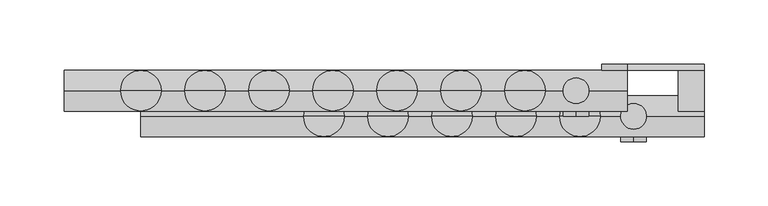
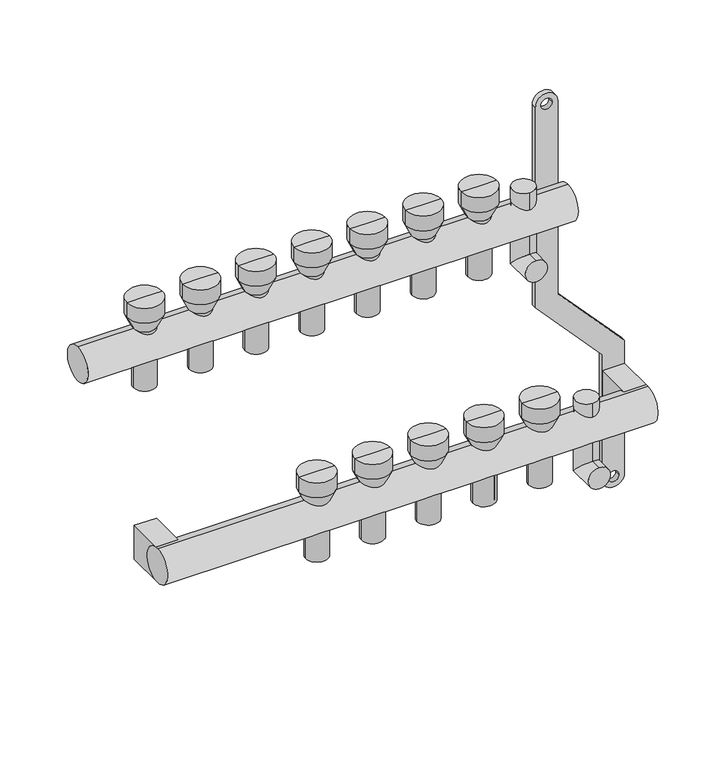
"""IFC4 building model written with IfcOpenShell, lengths in millimetres: proxy geometry."""

from ifc_helpers import new_model, si_unit, point, frame, frame_2d, origin, origin_2d, place, context, project, spatial, polyline, circle_curve, ellipse_curve, trimmed, segment, composite_curve, outline, extrude, source, transform, mapped, element, save
from ifc_brep_helpers import plane_surface, cylinder_surface, revolved_surface, advanced_brep


def mechanical_equipment_9a146814(model_context):
    return source(origin(), model_context, "Body", "SolidModel", [
        extrude(outline(composite_curve([segment(trimmed(circle_curve(frame_2d((86.2845679, 420.0)), 10.0), [point((86.2845679, 430.0))], [point((86.2845679, 410.0))], False, "CARTESIAN"), True, "CONTINUOUS"), segment(polyline([(86.2845679, 410.0), (-103.7138261, 410.0), (-169.0329221, 470.0), (-287.9537524, 470.0)]), True, "CONTINUOUS"), segment(trimmed(circle_curve(frame_2d((-287.9537524, 480.0)), 10.0), [point((-287.9537524, 470.0))], [point((-287.9537524, 490.0))], False, "CARTESIAN"), True, "CONTINUOUS"), segment(polyline([(-287.9537524, 490.0), (-162.5345282, 490.0), (-97.2154321, 430.0), (86.2845679, 430.0)]), True, "CONTINUOUS")], self_intersect=False), holes=[composite_curve([segment(trimmed(circle_curve(frame_2d((86.2845679, 420.0)), 5.0), [point((86.2845679, 415.0))], [point((86.2845679, 425.0))], True, "CARTESIAN"), True, "CONTINUOUS"), segment(trimmed(circle_curve(frame_2d((86.2845679, 420.0)), 5.0), [point((86.2845679, 425.0))], [point((86.2845679, 415.0))], True, "CARTESIAN"), True, "CONTINUOUS")], self_intersect=False), composite_curve([segment(trimmed(circle_curve(frame_2d((-287.9537524, 480.0)), 5.0), [point((-287.9537524, 475.0))], [point((-287.9537524, 485.0))], True, "CARTESIAN"), True, "CONTINUOUS"), segment(trimmed(circle_curve(frame_2d((-287.9537524, 480.0)), 5.0), [point((-287.9537524, 485.0))], [point((-287.9537524, 475.0))], True, "CARTESIAN"), True, "CONTINUOUS")], self_intersect=False)]), frame((0.0, 16.0, 0.0), z_axis=(0.0, 1.0, 0.0), x_axis=(0.0, 0.0, 1.0)), (0.0, 0.0, 1.0), 4.847249),
        advanced_brep(
        [(435.0, -40.0, -250.0), (435.0, -40.0, -230.0), (435.0, -10.0, -250.0), (435.0, -30.0, -230.0), (435.0, -10.0, -175.079492), (435.0, -30.0, -175.079492)],
        [
            (0, 1, circle_curve(frame((435.0, -40.0, -240.0), z_axis=(0.0, -1.0, 0.0), x_axis=(0.0, 0.0, 1.0)), 10.0)),
            (1, 0, circle_curve(frame((435.0, -40.0, -240.0), z_axis=(0.0, -1.0, 0.0), x_axis=(0.0, 0.0, 1.0)), 10.0)),
            (0, 2),
            (2, 3, ellipse_curve(frame((435.0, -20.0, -240.0), z_axis=(0.0, -0.7071067811865475, -0.7071067811865475), x_axis=(0.0, -0.7071067811865476, 0.7071067811865474)), 14.1421356, 10.0)),
            (3, 1),
            (3, 2, ellipse_curve(frame((435.0, -20.0, -240.0), z_axis=(0.0, -0.7071067811865475, -0.7071067811865475), x_axis=(0.0, -0.7071067811865476, 0.7071067811865474)), 14.1421356, 10.0)),
            (4, 5, circle_curve(frame((435.0, -20.0, -175.079492), z_axis=(0.0, 0.0, 1.0), x_axis=(0.0, -1.0, 0.0)), 10.0)),
            (5, 4, circle_curve(frame((435.0, -20.0, -175.079492), z_axis=(0.0, 0.0, 1.0), x_axis=(0.0, -1.0, 0.0)), 10.0)),
            (2, 4),
            (5, 3),
        ],
        [
            plane_surface(frame((435.0, -40.0, -240.0), z_axis=(0.0, -1.0, 0.0), x_axis=(1.0, 0.0, 0.0))),
            cylinder_surface(frame((435.0, -40.0, -240.0), z_axis=(0.0, -1.0, 0.0), x_axis=(0.0, 0.0, 1.0)), 10.0),
            plane_surface(frame((435.0, -20.0, -175.079492), z_axis=(0.0, 0.0, 1.0), x_axis=(1.0, 0.0, 0.0))),
            cylinder_surface(frame((435.0, -20.0, -240.0), z_axis=(0.0, 0.0, -1.0), x_axis=(0.0, -1.0, 0.0)), 10.0),
        ],
        [
            (0, [[1, 2]]),
            (1, [[-1, 3, 4, 5]]),
            (1, [[-2, -5, 6, -3]]),
            (2, [[7, 8]]),
            (3, [[-4, 9, -8, 10]]),
            (3, [[-6, -10, -7, -9]]),
        ],
    ),
        advanced_brep(
        [(390.0, -20.0, -50.0), (390.0, -20.0, -30.0), (390.0, 10.0, -50.0), (390.0, -10.0, -30.0), (390.0, 10.0, 28.420508), (390.0, -10.0, 28.420508)],
        [
            (0, 1, circle_curve(frame((390.0, -20.0, -40.0), z_axis=(0.0, -1.0, 0.0), x_axis=(0.0, 0.0, 1.0)), 10.0)),
            (1, 0, circle_curve(frame((390.0, -20.0, -40.0), z_axis=(0.0, -1.0, 0.0), x_axis=(0.0, 0.0, 1.0)), 10.0)),
            (0, 2),
            (2, 3, ellipse_curve(frame((390.0, 0.0, -40.0), z_axis=(0.0, -0.7071067811865486, -0.7071067811865464), x_axis=(0.0, -0.7071067811865466, 0.7071067811865485)), 14.1421356, 10.0)),
            (3, 1),
            (3, 2, ellipse_curve(frame((390.0, 0.0, -40.0), z_axis=(0.0, -0.7071067811865486, -0.7071067811865464), x_axis=(0.0, -0.7071067811865466, 0.7071067811865485)), 14.1421356, 10.0)),
            (4, 5, circle_curve(frame((390.0, 0.0, 28.420508), z_axis=(0.0, 0.0, 1.0), x_axis=(0.0, -1.0, 0.0)), 10.0)),
            (5, 4, circle_curve(frame((390.0, 0.0, 28.420508), z_axis=(0.0, 0.0, 1.0), x_axis=(0.0, -1.0, 0.0)), 10.0)),
            (2, 4),
            (5, 3),
        ],
        [
            plane_surface(frame((390.0, -20.0, -40.0), z_axis=(0.0, -1.0, 0.0), x_axis=(1.0, 0.0, 0.0))),
            cylinder_surface(frame((390.0, -20.0, -40.0), z_axis=(0.0, -1.0, 0.0), x_axis=(0.0, 0.0, 1.0)), 10.0),
            plane_surface(frame((390.0, 0.0, 28.420508), z_axis=(0.0, 0.0, 1.0), x_axis=(1.0, 0.0, 0.0))),
            cylinder_surface(frame((390.0, 0.0, -40.0), z_axis=(0.0, 0.0, -1.0), x_axis=(0.0, -1.0, 0.0)), 10.0),
        ],
        [
            (0, [[1, 2]]),
            (1, [[-1, 3, 4, 5]]),
            (1, [[-2, -5, 6, -3]]),
            (2, [[7, 8]]),
            (3, [[-4, 9, -8, 10]]),
            (3, [[-6, -10, -7, -9]]),
        ],
    ),
        extrude(outline(composite_curve([segment(trimmed(circle_curve(frame_2d((-20.0, -200.0)), 16.0), [point((-20.0, -216.0))], [point((-20.0, -184.0))], False, "CARTESIAN"), True, "CONTINUOUS"), segment(trimmed(circle_curve(frame_2d((-20.0, -200.0)), 16.0), [point((-20.0, -184.0))], [point((-20.0, -216.0))], False, "CARTESIAN"), True, "CONTINUOUS")], self_intersect=False)), frame((50.0, 0.0, 0.0), z_axis=(1.0, 0.0, 0.0), x_axis=(0.0, 1.0, 0.0)), (0.0, 0.0, 1.0), 440.0),
        extrude(outline(composite_curve([segment(trimmed(circle_curve(origin_2d(), 16.0), [point((0.0, -16.0))], [point((0.0, 16.0))], False, "CARTESIAN"), True, "CONTINUOUS"), segment(trimmed(circle_curve(origin_2d(), 16.0), [point((0.0, 16.0))], [point((0.0, -16.0))], False, "CARTESIAN"), True, "CONTINUOUS")], self_intersect=False)), frame((-10.0, 0.0, 0.0), z_axis=(1.0, 0.0, 0.0), x_axis=(0.0, 1.0, 0.0)), (0.0, 0.0, 1.0), 440.0),
        extrude(outline(polyline([(490.0, 16.0), (490.0, -20.0), (470.0, -20.0), (470.0, 16.0), (490.0, 16.0)])), frame((0.0, 0.0, -216.0), z_axis=(0.0, 0.0, 1.0), x_axis=(1.0, 0.0, 0.0)), (0.0, 0.0, 1.0), 32.0),
        extrude(outline(polyline([(70.0, 16.0), (70.0, -20.0), (50.0, -20.0), (50.0, 16.0), (70.0, 16.0)])), frame((0.0, 0.0, -216.0), z_axis=(0.0, 0.0, 1.0), x_axis=(1.0, 0.0, 0.0)), (0.0, 0.0, 1.0), 32.0),
        advanced_brep(
        [(358.0, 0.0, -40.0), (342.0, 0.0, -40.0), (342.0, 0.0, 16.0), (358.0, 0.0, 16.0), (360.0, 0.0, -40.0), (340.0, 0.0, -40.0), (360.0, 0.0, 16.0), (340.0, 0.0, 16.0), (365.791778, 0.0, 28.420508), (334.208222, 0.0, 28.420508), (365.791778, 0.0, 42.4712727), (334.208222, 0.0, 42.4712727), (350.0, 0.0, 42.4712727), (350.0, 0.0, 16.0)],
        [
            (0, 1, circle_curve(frame((350.0, 0.0, -40.0), z_axis=(0.0, 0.0, -1.0), x_axis=(-1.0, 0.0, 0.0)), 8.0)),
            (1, 2),
            (2, 3, circle_curve(frame((350.0, 0.0, 16.0), z_axis=(0.0, 0.0, 1.0), x_axis=(-1.0, 0.0, 0.0)), 8.0)),
            (3, 0),
            (1, 0, circle_curve(frame((350.0, 0.0, -40.0), z_axis=(0.0, 0.0, -1.0), x_axis=(-1.0, 0.0, 0.0)), 8.0)),
            (3, 2, circle_curve(frame((350.0, 0.0, 16.0), z_axis=(0.0, 0.0, 1.0), x_axis=(-1.0, 0.0, 0.0)), 8.0)),
            (4, 5, circle_curve(frame((350.0, 0.0, -40.0), z_axis=(0.0, 0.0, -1.0), x_axis=(-1.0, 0.0, 0.0)), 10.0)),
            (5, 1),
            (0, 4),
            (5, 4, circle_curve(frame((350.0, 0.0, -40.0), z_axis=(0.0, 0.0, -1.0), x_axis=(-1.0, 0.0, 0.0)), 10.0)),
            (6, 7, circle_curve(frame((350.0, 0.0, 16.0), z_axis=(0.0, 0.0, -1.0), x_axis=(-1.0, 0.0, 0.0)), 10.0)),
            (7, 5),
            (4, 6),
            (7, 6, circle_curve(frame((350.0, 0.0, 16.0), z_axis=(0.0, 0.0, -1.0), x_axis=(-1.0, 0.0, 0.0)), 10.0)),
            (8, 9, circle_curve(frame((350.0, 0.0, 28.420508), z_axis=(0.0, 0.0, -1.0), x_axis=(-1.0, 0.0, 0.0)), 15.791778)),
            (9, 7),
            (6, 8),
            (9, 8, circle_curve(frame((350.0, 0.0, 28.420508), z_axis=(0.0, 0.0, -1.0), x_axis=(-1.0, 0.0, 0.0)), 15.791778)),
            (10, 11, circle_curve(frame((350.0, 0.0, 42.4712727), z_axis=(0.0, 0.0, -1.0), x_axis=(-1.0, 0.0, 0.0)), 15.791778)),
            (11, 9),
            (8, 10),
            (11, 10, circle_curve(frame((350.0, 0.0, 42.4712727), z_axis=(0.0, 0.0, -1.0), x_axis=(-1.0, 0.0, 0.0)), 15.791778)),
            (12, 11),
            (10, 12),
            (2, 13),
            (13, 3),
        ],
        [
            revolved_surface(polyline([(342.0, 0.0, 16.0), (342.0, 0.0, -40.0)]), (350.0, 0.0, 0.0), (0.0, 0.0, 1.0)),
            plane_surface(frame((350.0, 0.0, -40.0), z_axis=(0.0, 0.0, -1.0), x_axis=(-1.0, 0.0, 0.0))),
            cylinder_surface(frame((350.0, 0.0, 0.0), z_axis=(0.0, 0.0, 1.0), x_axis=(-1.0, 0.0, 0.0)), 10.0),
            revolved_surface(polyline([(340.0, 0.0, 16.0), (334.208222, 0.0, 28.420508)]), (350.0, 0.0, 0.0), (0.0, 0.0, 1.0)),
            cylinder_surface(frame((350.0, 0.0, 0.0), z_axis=(0.0, 0.0, 1.0), x_axis=(-1.0, 0.0, 0.0)), 15.791778),
            plane_surface(frame((350.0, 0.0, 42.4712727), z_axis=(0.0, 0.0, 1.0), x_axis=(-1.0, 0.0, 0.0))),
            plane_surface(frame((350.0, 0.0, 16.0), z_axis=(0.0, 0.0, -1.0), x_axis=(-1.0, 0.0, 0.0))),
        ],
        [
            (0, [[1, 2, 3, 4]]),
            (0, [[5, -4, 6, -2]]),
            (1, [[7, 8, -1, 9]]),
            (1, [[10, -9, -5, -8]]),
            (2, [[11, 12, -7, 13]]),
            (2, [[14, -13, -10, -12]]),
            (3, [[15, 16, -11, 17]]),
            (3, [[18, -17, -14, -16]]),
            (4, [[19, 20, -15, 21]]),
            (4, [[22, -21, -18, -20]]),
            (5, [[23, -19, 24]]),
            (5, [[-24, -22, -23]]),
            (6, [[-3, 25, 26]]),
            (6, [[-6, -26, -25]]),
        ],
    ),
        advanced_brep(
        [(308.0, 0.0, -40.0), (292.0, 0.0, -40.0), (292.0, 0.0, 16.0), (308.0, 0.0, 16.0), (310.0, 0.0, -40.0), (290.0, 0.0, -40.0), (310.0, 0.0, 16.0), (290.0, 0.0, 16.0), (315.791778, 0.0, 28.420508), (284.208222, 0.0, 28.420508), (315.791778, 0.0, 42.4712727), (284.208222, 0.0, 42.4712727), (300.0, 0.0, 42.4712727), (300.0, 0.0, 16.0)],
        [
            (0, 1, circle_curve(frame((300.0, 0.0, -40.0), z_axis=(0.0, 0.0, -1.0), x_axis=(-1.0, 0.0, 0.0)), 8.0)),
            (1, 2),
            (2, 3, circle_curve(frame((300.0, 0.0, 16.0), z_axis=(0.0, 0.0, 1.0), x_axis=(-1.0, 0.0, 0.0)), 8.0)),
            (3, 0),
            (1, 0, circle_curve(frame((300.0, 0.0, -40.0), z_axis=(0.0, 0.0, -1.0), x_axis=(-1.0, 0.0, 0.0)), 8.0)),
            (3, 2, circle_curve(frame((300.0, 0.0, 16.0), z_axis=(0.0, 0.0, 1.0), x_axis=(-1.0, 0.0, 0.0)), 8.0)),
            (4, 5, circle_curve(frame((300.0, 0.0, -40.0), z_axis=(0.0, 0.0, -1.0), x_axis=(-1.0, 0.0, 0.0)), 10.0)),
            (5, 1),
            (0, 4),
            (5, 4, circle_curve(frame((300.0, 0.0, -40.0), z_axis=(0.0, 0.0, -1.0), x_axis=(-1.0, 0.0, 0.0)), 10.0)),
            (6, 7, circle_curve(frame((300.0, 0.0, 16.0), z_axis=(0.0, 0.0, -1.0), x_axis=(-1.0, 0.0, 0.0)), 10.0)),
            (7, 5),
            (4, 6),
            (7, 6, circle_curve(frame((300.0, 0.0, 16.0), z_axis=(0.0, 0.0, -1.0), x_axis=(-1.0, 0.0, 0.0)), 10.0)),
            (8, 9, circle_curve(frame((300.0, 0.0, 28.420508), z_axis=(0.0, 0.0, -1.0), x_axis=(-1.0, 0.0, 0.0)), 15.791778)),
            (9, 7),
            (6, 8),
            (9, 8, circle_curve(frame((300.0, 0.0, 28.420508), z_axis=(0.0, 0.0, -1.0), x_axis=(-1.0, 0.0, 0.0)), 15.791778)),
            (10, 11, circle_curve(frame((300.0, 0.0, 42.4712727), z_axis=(0.0, 0.0, -1.0), x_axis=(-1.0, 0.0, 0.0)), 15.791778)),
            (11, 9),
            (8, 10),
            (11, 10, circle_curve(frame((300.0, 0.0, 42.4712727), z_axis=(0.0, 0.0, -1.0), x_axis=(-1.0, 0.0, 0.0)), 15.791778)),
            (12, 11),
            (10, 12),
            (2, 13),
            (13, 3),
        ],
        [
            revolved_surface(polyline([(292.0, 0.0, 16.0), (292.0, 0.0, -40.0)]), (300.0, 0.0, 0.0), (0.0, 0.0, 1.0)),
            plane_surface(frame((300.0, 0.0, -40.0), z_axis=(0.0, 0.0, -1.0), x_axis=(-1.0, 0.0, 0.0))),
            cylinder_surface(frame((300.0, 0.0, 0.0), z_axis=(0.0, 0.0, 1.0), x_axis=(-1.0, 0.0, 0.0)), 10.0),
            revolved_surface(polyline([(290.0, 0.0, 16.0), (284.208222, 0.0, 28.420508)]), (300.0, 0.0, 0.0), (0.0, 0.0, 1.0)),
            cylinder_surface(frame((300.0, 0.0, 0.0), z_axis=(0.0, 0.0, 1.0), x_axis=(-1.0, 0.0, 0.0)), 15.791778),
            plane_surface(frame((300.0, 0.0, 42.4712727), z_axis=(0.0, 0.0, 1.0), x_axis=(-1.0, 0.0, 0.0))),
            plane_surface(frame((300.0, 0.0, 16.0), z_axis=(0.0, 0.0, -1.0), x_axis=(-1.0, 0.0, 0.0))),
        ],
        [
            (0, [[1, 2, 3, 4]]),
            (0, [[5, -4, 6, -2]]),
            (1, [[7, 8, -1, 9]]),
            (1, [[10, -9, -5, -8]]),
            (2, [[11, 12, -7, 13]]),
            (2, [[14, -13, -10, -12]]),
            (3, [[15, 16, -11, 17]]),
            (3, [[18, -17, -14, -16]]),
            (4, [[19, 20, -15, 21]]),
            (4, [[22, -21, -18, -20]]),
            (5, [[23, -19, 24]]),
            (5, [[-24, -22, -23]]),
            (6, [[-3, 25, 26]]),
            (6, [[-6, -26, -25]]),
        ],
    ),
        advanced_brep(
        [(258.0, 0.0, -40.0), (242.0, 0.0, -40.0), (242.0, 0.0, 16.0), (258.0, 0.0, 16.0), (260.0, 0.0, -40.0), (240.0, 0.0, -40.0), (260.0, 0.0, 16.0), (240.0, 0.0, 16.0), (265.791778, 0.0, 28.420508), (234.208222, 0.0, 28.420508), (265.791778, 0.0, 42.4712727), (234.208222, 0.0, 42.4712727), (250.0, 0.0, 42.4712727), (250.0, 0.0, 16.0)],
        [
            (0, 1, circle_curve(frame((250.0, 0.0, -40.0), z_axis=(0.0, 0.0, -1.0), x_axis=(-1.0, 0.0, 0.0)), 8.0)),
            (1, 2),
            (2, 3, circle_curve(frame((250.0, 0.0, 16.0), z_axis=(0.0, 0.0, 1.0), x_axis=(-1.0, 0.0, 0.0)), 8.0)),
            (3, 0),
            (1, 0, circle_curve(frame((250.0, 0.0, -40.0), z_axis=(0.0, 0.0, -1.0), x_axis=(-1.0, 0.0, 0.0)), 8.0)),
            (3, 2, circle_curve(frame((250.0, 0.0, 16.0), z_axis=(0.0, 0.0, 1.0), x_axis=(-1.0, 0.0, 0.0)), 8.0)),
            (4, 5, circle_curve(frame((250.0, 0.0, -40.0), z_axis=(0.0, 0.0, -1.0), x_axis=(-1.0, 0.0, 0.0)), 10.0)),
            (5, 1),
            (0, 4),
            (5, 4, circle_curve(frame((250.0, 0.0, -40.0), z_axis=(0.0, 0.0, -1.0), x_axis=(-1.0, 0.0, 0.0)), 10.0)),
            (6, 7, circle_curve(frame((250.0, 0.0, 16.0), z_axis=(0.0, 0.0, -1.0), x_axis=(-1.0, 0.0, 0.0)), 10.0)),
            (7, 5),
            (4, 6),
            (7, 6, circle_curve(frame((250.0, 0.0, 16.0), z_axis=(0.0, 0.0, -1.0), x_axis=(-1.0, 0.0, 0.0)), 10.0)),
            (8, 9, circle_curve(frame((250.0, 0.0, 28.420508), z_axis=(0.0, 0.0, -1.0), x_axis=(-1.0, 0.0, 0.0)), 15.791778)),
            (9, 7),
            (6, 8),
            (9, 8, circle_curve(frame((250.0, 0.0, 28.420508), z_axis=(0.0, 0.0, -1.0), x_axis=(-1.0, 0.0, 0.0)), 15.791778)),
            (10, 11, circle_curve(frame((250.0, 0.0, 42.4712727), z_axis=(0.0, 0.0, -1.0), x_axis=(-1.0, 0.0, 0.0)), 15.791778)),
            (11, 9),
            (8, 10),
            (11, 10, circle_curve(frame((250.0, 0.0, 42.4712727), z_axis=(0.0, 0.0, -1.0), x_axis=(-1.0, 0.0, 0.0)), 15.791778)),
            (12, 11),
            (10, 12),
            (2, 13),
            (13, 3),
        ],
        [
            revolved_surface(polyline([(242.0, 0.0, 16.0), (242.0, 0.0, -40.0)]), (250.0, 0.0, 0.0), (0.0, 0.0, 1.0)),
            plane_surface(frame((250.0, 0.0, -40.0), z_axis=(0.0, 0.0, -1.0), x_axis=(-1.0, 0.0, 0.0))),
            cylinder_surface(frame((250.0, 0.0, 0.0), z_axis=(0.0, 0.0, 1.0), x_axis=(-1.0, 0.0, 0.0)), 10.0),
            revolved_surface(polyline([(240.0, 0.0, 16.0), (234.208222, 0.0, 28.420508)]), (250.0, 0.0, 0.0), (0.0, 0.0, 1.0)),
            cylinder_surface(frame((250.0, 0.0, 0.0), z_axis=(0.0, 0.0, 1.0), x_axis=(-1.0, 0.0, 0.0)), 15.791778),
            plane_surface(frame((250.0, 0.0, 42.4712727), z_axis=(0.0, 0.0, 1.0), x_axis=(-1.0, 0.0, 0.0))),
            plane_surface(frame((250.0, 0.0, 16.0), z_axis=(0.0, 0.0, -1.0), x_axis=(-1.0, 0.0, 0.0))),
        ],
        [
            (0, [[1, 2, 3, 4]]),
            (0, [[5, -4, 6, -2]]),
            (1, [[7, 8, -1, 9]]),
            (1, [[10, -9, -5, -8]]),
            (2, [[11, 12, -7, 13]]),
            (2, [[14, -13, -10, -12]]),
            (3, [[15, 16, -11, 17]]),
            (3, [[18, -17, -14, -16]]),
            (4, [[19, 20, -15, 21]]),
            (4, [[22, -21, -18, -20]]),
            (5, [[23, -19, 24]]),
            (5, [[-24, -22, -23]]),
            (6, [[-3, 25, 26]]),
            (6, [[-6, -26, -25]]),
        ],
    ),
        advanced_brep(
        [(208.0, 0.0, -40.0), (192.0, 0.0, -40.0), (192.0, 0.0, 16.0), (208.0, 0.0, 16.0), (210.0, 0.0, -40.0), (190.0, 0.0, -40.0), (210.0, 0.0, 16.0), (190.0, 0.0, 16.0), (215.791778, 0.0, 28.420508), (184.208222, 0.0, 28.420508), (215.791778, 0.0, 42.4712727), (184.208222, 0.0, 42.4712727), (200.0, 0.0, 42.4712727), (200.0, 0.0, 16.0)],
        [
            (0, 1, circle_curve(frame((200.0, 0.0, -40.0), z_axis=(0.0, 0.0, -1.0), x_axis=(-1.0, 0.0, 0.0)), 8.0)),
            (1, 2),
            (2, 3, circle_curve(frame((200.0, 0.0, 16.0), z_axis=(0.0, 0.0, 1.0), x_axis=(-1.0, 0.0, 0.0)), 8.0)),
            (3, 0),
            (1, 0, circle_curve(frame((200.0, 0.0, -40.0), z_axis=(0.0, 0.0, -1.0), x_axis=(-1.0, 0.0, 0.0)), 8.0)),
            (3, 2, circle_curve(frame((200.0, 0.0, 16.0), z_axis=(0.0, 0.0, 1.0), x_axis=(-1.0, 0.0, 0.0)), 8.0)),
            (4, 5, circle_curve(frame((200.0, 0.0, -40.0), z_axis=(0.0, 0.0, -1.0), x_axis=(-1.0, 0.0, 0.0)), 10.0)),
            (5, 1),
            (0, 4),
            (5, 4, circle_curve(frame((200.0, 0.0, -40.0), z_axis=(0.0, 0.0, -1.0), x_axis=(-1.0, 0.0, 0.0)), 10.0)),
            (6, 7, circle_curve(frame((200.0, 0.0, 16.0), z_axis=(0.0, 0.0, -1.0), x_axis=(-1.0, 0.0, 0.0)), 10.0)),
            (7, 5),
            (4, 6),
            (7, 6, circle_curve(frame((200.0, 0.0, 16.0), z_axis=(0.0, 0.0, -1.0), x_axis=(-1.0, 0.0, 0.0)), 10.0)),
            (8, 9, circle_curve(frame((200.0, 0.0, 28.420508), z_axis=(0.0, 0.0, -1.0), x_axis=(-1.0, 0.0, 0.0)), 15.791778)),
            (9, 7),
            (6, 8),
            (9, 8, circle_curve(frame((200.0, 0.0, 28.420508), z_axis=(0.0, 0.0, -1.0), x_axis=(-1.0, 0.0, 0.0)), 15.791778)),
            (10, 11, circle_curve(frame((200.0, 0.0, 42.4712727), z_axis=(0.0, 0.0, -1.0), x_axis=(-1.0, 0.0, 0.0)), 15.791778)),
            (11, 9),
            (8, 10),
            (11, 10, circle_curve(frame((200.0, 0.0, 42.4712727), z_axis=(0.0, 0.0, -1.0), x_axis=(-1.0, 0.0, 0.0)), 15.791778)),
            (12, 11),
            (10, 12),
            (2, 13),
            (13, 3),
        ],
        [
            revolved_surface(polyline([(192.0, 0.0, 16.0), (192.0, 0.0, -40.0)]), (200.0, 0.0, 0.0), (0.0, 0.0, 1.0)),
            plane_surface(frame((200.0, 0.0, -40.0), z_axis=(0.0, 0.0, -1.0), x_axis=(-1.0, 0.0, 0.0))),
            cylinder_surface(frame((200.0, 0.0, 0.0), z_axis=(0.0, 0.0, 1.0), x_axis=(-1.0, 0.0, 0.0)), 10.0),
            revolved_surface(polyline([(190.0, 0.0, 16.0), (184.208222, 0.0, 28.420508)]), (200.0, 0.0, 0.0), (0.0, 0.0, 1.0)),
            cylinder_surface(frame((200.0, 0.0, 0.0), z_axis=(0.0, 0.0, 1.0), x_axis=(-1.0, 0.0, 0.0)), 15.791778),
            plane_surface(frame((200.0, 0.0, 42.4712727), z_axis=(0.0, 0.0, 1.0), x_axis=(-1.0, 0.0, 0.0))),
            plane_surface(frame((200.0, 0.0, 16.0), z_axis=(0.0, 0.0, -1.0), x_axis=(-1.0, 0.0, 0.0))),
        ],
        [
            (0, [[1, 2, 3, 4]]),
            (0, [[5, -4, 6, -2]]),
            (1, [[7, 8, -1, 9]]),
            (1, [[10, -9, -5, -8]]),
            (2, [[11, 12, -7, 13]]),
            (2, [[14, -13, -10, -12]]),
            (3, [[15, 16, -11, 17]]),
            (3, [[18, -17, -14, -16]]),
            (4, [[19, 20, -15, 21]]),
            (4, [[22, -21, -18, -20]]),
            (5, [[23, -19, 24]]),
            (5, [[-24, -22, -23]]),
            (6, [[-3, 25, 26]]),
            (6, [[-6, -26, -25]]),
        ],
    ),
        advanced_brep(
        [(158.0, 0.0, -40.0), (142.0, 0.0, -40.0), (142.0, 0.0, 16.0), (158.0, 0.0, 16.0), (160.0, 0.0, -40.0), (140.0, 0.0, -40.0), (160.0, 0.0, 16.0), (140.0, 0.0, 16.0), (165.791778, 0.0, 28.420508), (134.208222, 0.0, 28.420508), (165.791778, 0.0, 42.4712727), (134.208222, 0.0, 42.4712727), (150.0, 0.0, 42.4712727), (150.0, 0.0, 16.0)],
        [
            (0, 1, circle_curve(frame((150.0, 0.0, -40.0), z_axis=(0.0, 0.0, -1.0), x_axis=(-1.0, 0.0, 0.0)), 8.0)),
            (1, 2),
            (2, 3, circle_curve(frame((150.0, 0.0, 16.0), z_axis=(0.0, 0.0, 1.0), x_axis=(-1.0, 0.0, 0.0)), 8.0)),
            (3, 0),
            (1, 0, circle_curve(frame((150.0, 0.0, -40.0), z_axis=(0.0, 0.0, -1.0), x_axis=(-1.0, 0.0, 0.0)), 8.0)),
            (3, 2, circle_curve(frame((150.0, 0.0, 16.0), z_axis=(0.0, 0.0, 1.0), x_axis=(-1.0, 0.0, 0.0)), 8.0)),
            (4, 5, circle_curve(frame((150.0, 0.0, -40.0), z_axis=(0.0, 0.0, -1.0), x_axis=(-1.0, 0.0, 0.0)), 10.0)),
            (5, 1),
            (0, 4),
            (5, 4, circle_curve(frame((150.0, 0.0, -40.0), z_axis=(0.0, 0.0, -1.0), x_axis=(-1.0, 0.0, 0.0)), 10.0)),
            (6, 7, circle_curve(frame((150.0, 0.0, 16.0), z_axis=(0.0, 0.0, -1.0), x_axis=(-1.0, 0.0, 0.0)), 10.0)),
            (7, 5),
            (4, 6),
            (7, 6, circle_curve(frame((150.0, 0.0, 16.0), z_axis=(0.0, 0.0, -1.0), x_axis=(-1.0, 0.0, 0.0)), 10.0)),
            (8, 9, circle_curve(frame((150.0, 0.0, 28.420508), z_axis=(0.0, 0.0, -1.0), x_axis=(-1.0, 0.0, 0.0)), 15.791778)),
            (9, 7),
            (6, 8),
            (9, 8, circle_curve(frame((150.0, 0.0, 28.420508), z_axis=(0.0, 0.0, -1.0), x_axis=(-1.0, 0.0, 0.0)), 15.791778)),
            (10, 11, circle_curve(frame((150.0, 0.0, 42.4712727), z_axis=(0.0, 0.0, -1.0), x_axis=(-1.0, 0.0, 0.0)), 15.791778)),
            (11, 9),
            (8, 10),
            (11, 10, circle_curve(frame((150.0, 0.0, 42.4712727), z_axis=(0.0, 0.0, -1.0), x_axis=(-1.0, 0.0, 0.0)), 15.791778)),
            (12, 11),
            (10, 12),
            (2, 13),
            (13, 3),
        ],
        [
            revolved_surface(polyline([(142.0, 0.0, 16.0), (142.0, 0.0, -40.0)]), (150.0, 0.0, 0.0), (0.0, 0.0, 1.0)),
            plane_surface(frame((150.0, 0.0, -40.0), z_axis=(0.0, 0.0, -1.0), x_axis=(-1.0, 0.0, 0.0))),
            cylinder_surface(frame((150.0, 0.0, 0.0), z_axis=(0.0, 0.0, 1.0), x_axis=(-1.0, 0.0, 0.0)), 10.0),
            revolved_surface(polyline([(140.0, 0.0, 16.0), (134.208222, 0.0, 28.420508)]), (150.0, 0.0, 0.0), (0.0, 0.0, 1.0)),
            cylinder_surface(frame((150.0, 0.0, 0.0), z_axis=(0.0, 0.0, 1.0), x_axis=(-1.0, 0.0, 0.0)), 15.791778),
            plane_surface(frame((150.0, 0.0, 42.4712727), z_axis=(0.0, 0.0, 1.0), x_axis=(-1.0, 0.0, 0.0))),
            plane_surface(frame((150.0, 0.0, 16.0), z_axis=(0.0, 0.0, -1.0), x_axis=(-1.0, 0.0, 0.0))),
        ],
        [
            (0, [[1, 2, 3, 4]]),
            (0, [[5, -4, 6, -2]]),
            (1, [[7, 8, -1, 9]]),
            (1, [[10, -9, -5, -8]]),
            (2, [[11, 12, -7, 13]]),
            (2, [[14, -13, -10, -12]]),
            (3, [[15, 16, -11, 17]]),
            (3, [[18, -17, -14, -16]]),
            (4, [[19, 20, -15, 21]]),
            (4, [[22, -21, -18, -20]]),
            (5, [[23, -19, 24]]),
            (5, [[-24, -22, -23]]),
            (6, [[-3, 25, 26]]),
            (6, [[-6, -26, -25]]),
        ],
    ),
        advanced_brep(
        [(108.0, 0.0, -40.0), (92.0, 0.0, -40.0), (92.0, 0.0, 16.0), (108.0, 0.0, 16.0), (110.0, 0.0, -40.0), (90.0, 0.0, -40.0), (110.0, 0.0, 16.0), (90.0, 0.0, 16.0), (115.791778, 0.0, 28.420508), (84.208222, 0.0, 28.420508), (115.791778, 0.0, 42.4712727), (84.208222, 0.0, 42.4712727), (100.0, 0.0, 42.4712727), (100.0, 0.0, 16.0)],
        [
            (0, 1, circle_curve(frame((100.0, 0.0, -40.0), z_axis=(0.0, 0.0, -1.0), x_axis=(-1.0, 0.0, 0.0)), 8.0)),
            (1, 2),
            (2, 3, circle_curve(frame((100.0, 0.0, 16.0), z_axis=(0.0, 0.0, 1.0), x_axis=(-1.0, 0.0, 0.0)), 8.0)),
            (3, 0),
            (1, 0, circle_curve(frame((100.0, 0.0, -40.0), z_axis=(0.0, 0.0, -1.0), x_axis=(-1.0, 0.0, 0.0)), 8.0)),
            (3, 2, circle_curve(frame((100.0, 0.0, 16.0), z_axis=(0.0, 0.0, 1.0), x_axis=(-1.0, 0.0, 0.0)), 8.0)),
            (4, 5, circle_curve(frame((100.0, 0.0, -40.0), z_axis=(0.0, 0.0, -1.0), x_axis=(-1.0, 0.0, 0.0)), 10.0)),
            (5, 1),
            (0, 4),
            (5, 4, circle_curve(frame((100.0, 0.0, -40.0), z_axis=(0.0, 0.0, -1.0), x_axis=(-1.0, 0.0, 0.0)), 10.0)),
            (6, 7, circle_curve(frame((100.0, 0.0, 16.0), z_axis=(0.0, 0.0, -1.0), x_axis=(-1.0, 0.0, 0.0)), 10.0)),
            (7, 5),
            (4, 6),
            (7, 6, circle_curve(frame((100.0, 0.0, 16.0), z_axis=(0.0, 0.0, -1.0), x_axis=(-1.0, 0.0, 0.0)), 10.0)),
            (8, 9, circle_curve(frame((100.0, 0.0, 28.420508), z_axis=(0.0, 0.0, -1.0), x_axis=(-1.0, 0.0, 0.0)), 15.791778)),
            (9, 7),
            (6, 8),
            (9, 8, circle_curve(frame((100.0, 0.0, 28.420508), z_axis=(0.0, 0.0, -1.0), x_axis=(-1.0, 0.0, 0.0)), 15.791778)),
            (10, 11, circle_curve(frame((100.0, 0.0, 42.4712727), z_axis=(0.0, 0.0, -1.0), x_axis=(-1.0, 0.0, 0.0)), 15.791778)),
            (11, 9),
            (8, 10),
            (11, 10, circle_curve(frame((100.0, 0.0, 42.4712727), z_axis=(0.0, 0.0, -1.0), x_axis=(-1.0, 0.0, 0.0)), 15.791778)),
            (12, 11),
            (10, 12),
            (2, 13),
            (13, 3),
        ],
        [
            revolved_surface(polyline([(92.0, 0.0, 16.0), (92.0, 0.0, -40.0)]), (100.0, 0.0, 0.0), (0.0, 0.0, 1.0)),
            plane_surface(frame((100.0, 0.0, -40.0), z_axis=(0.0, 0.0, -1.0), x_axis=(-1.0, 0.0, 0.0))),
            cylinder_surface(frame((100.0, 0.0, 0.0), z_axis=(0.0, 0.0, 1.0), x_axis=(-1.0, 0.0, 0.0)), 10.0),
            revolved_surface(polyline([(90.0, 0.0, 16.0), (84.208222, 0.0, 28.420508)]), (100.0, 0.0, 0.0), (0.0, 0.0, 1.0)),
            cylinder_surface(frame((100.0, 0.0, 0.0), z_axis=(0.0, 0.0, 1.0), x_axis=(-1.0, 0.0, 0.0)), 15.791778),
            plane_surface(frame((100.0, 0.0, 42.4712727), z_axis=(0.0, 0.0, 1.0), x_axis=(-1.0, 0.0, 0.0))),
            plane_surface(frame((100.0, 0.0, 16.0), z_axis=(0.0, 0.0, -1.0), x_axis=(-1.0, 0.0, 0.0))),
        ],
        [
            (0, [[1, 2, 3, 4]]),
            (0, [[5, -4, 6, -2]]),
            (1, [[7, 8, -1, 9]]),
            (1, [[10, -9, -5, -8]]),
            (2, [[11, 12, -7, 13]]),
            (2, [[14, -13, -10, -12]]),
            (3, [[15, 16, -11, 17]]),
            (3, [[18, -17, -14, -16]]),
            (4, [[19, 20, -15, 21]]),
            (4, [[22, -21, -18, -20]]),
            (5, [[23, -19, 24]]),
            (5, [[-24, -22, -23]]),
            (6, [[-3, 25, 26]]),
            (6, [[-6, -26, -25]]),
        ],
    ),
        advanced_brep(
        [(58.0, 0.0, -40.0), (42.0, 0.0, -40.0), (42.0, 0.0, 16.0), (58.0, 0.0, 16.0), (60.0, 0.0, -40.0), (40.0, 0.0, -40.0), (60.0, 0.0, 16.0), (40.0, 0.0, 16.0), (65.791778, 0.0, 28.420508), (34.208222, 0.0, 28.420508), (65.791778, 0.0, 42.4712727), (34.208222, 0.0, 42.4712727), (50.0, 0.0, 42.4712727), (50.0, 0.0, 16.0)],
        [
            (0, 1, circle_curve(frame((50.0, 0.0, -40.0), z_axis=(0.0, 0.0, -1.0), x_axis=(-1.0, 0.0, 0.0)), 8.0)),
            (1, 2),
            (2, 3, circle_curve(frame((50.0, 0.0, 16.0), z_axis=(0.0, 0.0, 1.0), x_axis=(-1.0, 0.0, 0.0)), 8.0)),
            (3, 0),
            (1, 0, circle_curve(frame((50.0, 0.0, -40.0), z_axis=(0.0, 0.0, -1.0), x_axis=(-1.0, 0.0, 0.0)), 8.0)),
            (3, 2, circle_curve(frame((50.0, 0.0, 16.0), z_axis=(0.0, 0.0, 1.0), x_axis=(-1.0, 0.0, 0.0)), 8.0)),
            (4, 5, circle_curve(frame((50.0, 0.0, -40.0), z_axis=(0.0, 0.0, -1.0), x_axis=(-1.0, 0.0, 0.0)), 10.0)),
            (5, 1),
            (0, 4),
            (5, 4, circle_curve(frame((50.0, 0.0, -40.0), z_axis=(0.0, 0.0, -1.0), x_axis=(-1.0, 0.0, 0.0)), 10.0)),
            (6, 7, circle_curve(frame((50.0, 0.0, 16.0), z_axis=(0.0, 0.0, -1.0), x_axis=(-1.0, 0.0, 0.0)), 10.0)),
            (7, 5),
            (4, 6),
            (7, 6, circle_curve(frame((50.0, 0.0, 16.0), z_axis=(0.0, 0.0, -1.0), x_axis=(-1.0, 0.0, 0.0)), 10.0)),
            (8, 9, circle_curve(frame((50.0, 0.0, 28.420508), z_axis=(0.0, 0.0, -1.0), x_axis=(-1.0, 0.0, 0.0)), 15.791778)),
            (9, 7),
            (6, 8),
            (9, 8, circle_curve(frame((50.0, 0.0, 28.420508), z_axis=(0.0, 0.0, -1.0), x_axis=(-1.0, 0.0, 0.0)), 15.791778)),
            (10, 11, circle_curve(frame((50.0, 0.0, 42.4712727), z_axis=(0.0, 0.0, -1.0), x_axis=(-1.0, 0.0, 0.0)), 15.791778)),
            (11, 9),
            (8, 10),
            (11, 10, circle_curve(frame((50.0, 0.0, 42.4712727), z_axis=(0.0, 0.0, -1.0), x_axis=(-1.0, 0.0, 0.0)), 15.791778)),
            (12, 11),
            (10, 12),
            (2, 13),
            (13, 3),
        ],
        [
            revolved_surface(polyline([(42.0, 0.0, 16.0), (42.0, 0.0, -40.0)]), (50.0, 0.0, 0.0), (0.0, 0.0, 1.0)),
            plane_surface(frame((50.0, 0.0, -40.0), z_axis=(0.0, 0.0, -1.0), x_axis=(-1.0, 0.0, 0.0))),
            cylinder_surface(frame((50.0, 0.0, 0.0), z_axis=(0.0, 0.0, 1.0), x_axis=(-1.0, 0.0, 0.0)), 10.0),
            revolved_surface(polyline([(40.0, 0.0, 16.0), (34.208222, 0.0, 28.420508)]), (50.0, 0.0, 0.0), (0.0, 0.0, 1.0)),
            cylinder_surface(frame((50.0, 0.0, 0.0), z_axis=(0.0, 0.0, 1.0), x_axis=(-1.0, 0.0, 0.0)), 15.791778),
            plane_surface(frame((50.0, 0.0, 42.4712727), z_axis=(0.0, 0.0, 1.0), x_axis=(-1.0, 0.0, 0.0))),
            plane_surface(frame((50.0, 0.0, 16.0), z_axis=(0.0, 0.0, -1.0), x_axis=(-1.0, 0.0, 0.0))),
        ],
        [
            (0, [[1, 2, 3, 4]]),
            (0, [[5, -4, 6, -2]]),
            (1, [[7, 8, -1, 9]]),
            (1, [[10, -9, -5, -8]]),
            (2, [[11, 12, -7, 13]]),
            (2, [[14, -13, -10, -12]]),
            (3, [[15, 16, -11, 17]]),
            (3, [[18, -17, -14, -16]]),
            (4, [[19, 20, -15, 21]]),
            (4, [[22, -21, -18, -20]]),
            (5, [[23, -19, 24]]),
            (5, [[-24, -22, -23]]),
            (6, [[-3, 25, 26]]),
            (6, [[-6, -26, -25]]),
        ],
    ),
        advanced_brep(
        [(401.0, -20.0, -240.0), (385.0, -20.0, -240.0), (385.0, -20.0, -187.5), (401.0, -20.0, -187.5), (403.0, -20.0, -240.0), (383.0, -20.0, -240.0), (403.0, -20.0, -187.5), (383.0, -20.0, -187.5), (408.791778, -20.0, -175.079492), (377.208222, -20.0, -175.079492), (408.791778, -20.0, -161.0287273), (377.208222, -20.0, -161.0287273), (393.0, -20.0, -161.0287273), (393.0, -20.0, -187.5)],
        [
            (0, 1, circle_curve(frame((393.0, -20.0, -240.0), z_axis=(0.0, 0.0, -1.0), x_axis=(-1.0, 0.0, 0.0)), 8.0)),
            (1, 2),
            (2, 3, circle_curve(frame((393.0, -20.0, -187.5), z_axis=(0.0, 0.0, 1.0), x_axis=(-1.0, 0.0, 0.0)), 8.0)),
            (3, 0),
            (1, 0, circle_curve(frame((393.0, -20.0, -240.0), z_axis=(0.0, 0.0, -1.0), x_axis=(-1.0, 0.0, 0.0)), 8.0)),
            (3, 2, circle_curve(frame((393.0, -20.0, -187.5), z_axis=(0.0, 0.0, 1.0), x_axis=(-1.0, 0.0, 0.0)), 8.0)),
            (4, 5, circle_curve(frame((393.0, -20.0, -240.0), z_axis=(0.0, 0.0, -1.0), x_axis=(-1.0, 0.0, 0.0)), 10.0)),
            (5, 1),
            (0, 4),
            (5, 4, circle_curve(frame((393.0, -20.0, -240.0), z_axis=(0.0, 0.0, -1.0), x_axis=(-1.0, 0.0, 0.0)), 10.0)),
            (6, 7, circle_curve(frame((393.0, -20.0, -187.5), z_axis=(0.0, 0.0, -1.0), x_axis=(-1.0, 0.0, 0.0)), 10.0)),
            (7, 5),
            (4, 6),
            (7, 6, circle_curve(frame((393.0, -20.0, -187.5), z_axis=(0.0, 0.0, -1.0), x_axis=(-1.0, 0.0, 0.0)), 10.0)),
            (8, 9, circle_curve(frame((393.0, -20.0, -175.079492), z_axis=(0.0, 0.0, -1.0), x_axis=(-1.0, 0.0, 0.0)), 15.791778)),
            (9, 7),
            (6, 8),
            (9, 8, circle_curve(frame((393.0, -20.0, -175.079492), z_axis=(0.0, 0.0, -1.0), x_axis=(-1.0, 0.0, 0.0)), 15.791778)),
            (10, 11, circle_curve(frame((393.0, -20.0, -161.0287273), z_axis=(0.0, 0.0, -1.0), x_axis=(-1.0, 0.0, 0.0)), 15.791778)),
            (11, 9),
            (8, 10),
            (11, 10, circle_curve(frame((393.0, -20.0, -161.0287273), z_axis=(0.0, 0.0, -1.0), x_axis=(-1.0, 0.0, 0.0)), 15.791778)),
            (12, 11),
            (10, 12),
            (2, 13),
            (13, 3),
        ],
        [
            revolved_surface(polyline([(385.0, -20.0, -187.5), (385.0, -20.0, -240.0)]), (393.0, -20.0, -200.0), (0.0, 0.0, 1.0)),
            plane_surface(frame((393.0, -20.0, -240.0), z_axis=(0.0, 0.0, -1.0), x_axis=(-1.0, 0.0, 0.0))),
            cylinder_surface(frame((393.0, -20.0, -200.0), z_axis=(0.0, 0.0, 1.0), x_axis=(-1.0, 0.0, 0.0)), 10.0),
            revolved_surface(polyline([(383.0, -20.0, -187.5), (377.208222, -20.0, -175.079492)]), (393.0, -20.0, -200.0), (0.0, 0.0, 1.0)),
            cylinder_surface(frame((393.0, -20.0, -200.0), z_axis=(0.0, 0.0, 1.0), x_axis=(-1.0, 0.0, 0.0)), 15.791778),
            plane_surface(frame((393.0, -20.0, -161.0287273), z_axis=(0.0, 0.0, 1.0), x_axis=(-1.0, 0.0, 0.0))),
            plane_surface(frame((393.0, -20.0, -187.5), z_axis=(0.0, 0.0, -1.0), x_axis=(-1.0, 0.0, 0.0))),
        ],
        [
            (0, [[1, 2, 3, 4]]),
            (0, [[5, -4, 6, -2]]),
            (1, [[7, 8, -1, 9]]),
            (1, [[10, -9, -5, -8]]),
            (2, [[11, 12, -7, 13]]),
            (2, [[14, -13, -10, -12]]),
            (3, [[15, 16, -11, 17]]),
            (3, [[18, -17, -14, -16]]),
            (4, [[19, 20, -15, 21]]),
            (4, [[22, -21, -18, -20]]),
            (5, [[23, -19, 24]]),
            (5, [[-24, -22, -23]]),
            (6, [[-3, 25, 26]]),
            (6, [[-6, -26, -25]]),
        ],
    ),
        advanced_brep(
        [(351.0, -20.0, -240.0), (335.0, -20.0, -240.0), (335.0, -20.0, -187.5), (351.0, -20.0, -187.5), (353.0, -20.0, -240.0), (333.0, -20.0, -240.0), (353.0, -20.0, -187.5), (333.0, -20.0, -187.5), (358.791778, -20.0, -175.079492), (327.208222, -20.0, -175.079492), (358.791778, -20.0, -161.0287273), (327.208222, -20.0, -161.0287273), (343.0, -20.0, -161.0287273), (343.0, -20.0, -187.5)],
        [
            (0, 1, circle_curve(frame((343.0, -20.0, -240.0), z_axis=(0.0, 0.0, -1.0), x_axis=(-1.0, 0.0, 0.0)), 8.0)),
            (1, 2),
            (2, 3, circle_curve(frame((343.0, -20.0, -187.5), z_axis=(0.0, 0.0, 1.0), x_axis=(-1.0, 0.0, 0.0)), 8.0)),
            (3, 0),
            (1, 0, circle_curve(frame((343.0, -20.0, -240.0), z_axis=(0.0, 0.0, -1.0), x_axis=(-1.0, 0.0, 0.0)), 8.0)),
            (3, 2, circle_curve(frame((343.0, -20.0, -187.5), z_axis=(0.0, 0.0, 1.0), x_axis=(-1.0, 0.0, 0.0)), 8.0)),
            (4, 5, circle_curve(frame((343.0, -20.0, -240.0), z_axis=(0.0, 0.0, -1.0), x_axis=(-1.0, 0.0, 0.0)), 10.0)),
            (5, 1),
            (0, 4),
            (5, 4, circle_curve(frame((343.0, -20.0, -240.0), z_axis=(0.0, 0.0, -1.0), x_axis=(-1.0, 0.0, 0.0)), 10.0)),
            (6, 7, circle_curve(frame((343.0, -20.0, -187.5), z_axis=(0.0, 0.0, -1.0), x_axis=(-1.0, 0.0, 0.0)), 10.0)),
            (7, 5),
            (4, 6),
            (7, 6, circle_curve(frame((343.0, -20.0, -187.5), z_axis=(0.0, 0.0, -1.0), x_axis=(-1.0, 0.0, 0.0)), 10.0)),
            (8, 9, circle_curve(frame((343.0, -20.0, -175.079492), z_axis=(0.0, 0.0, -1.0), x_axis=(-1.0, 0.0, 0.0)), 15.791778)),
            (9, 7),
            (6, 8),
            (9, 8, circle_curve(frame((343.0, -20.0, -175.079492), z_axis=(0.0, 0.0, -1.0), x_axis=(-1.0, 0.0, 0.0)), 15.791778)),
            (10, 11, circle_curve(frame((343.0, -20.0, -161.0287273), z_axis=(0.0, 0.0, -1.0), x_axis=(-1.0, 0.0, 0.0)), 15.791778)),
            (11, 9),
            (8, 10),
            (11, 10, circle_curve(frame((343.0, -20.0, -161.0287273), z_axis=(0.0, 0.0, -1.0), x_axis=(-1.0, 0.0, 0.0)), 15.791778)),
            (12, 11),
            (10, 12),
            (2, 13),
            (13, 3),
        ],
        [
            revolved_surface(polyline([(335.0, -20.0, -187.5), (335.0, -20.0, -240.0)]), (343.0, -20.0, -200.0), (0.0, 0.0, 1.0)),
            plane_surface(frame((343.0, -20.0, -240.0), z_axis=(0.0, 0.0, -1.0), x_axis=(-1.0, 0.0, 0.0))),
            cylinder_surface(frame((343.0, -20.0, -200.0), z_axis=(0.0, 0.0, 1.0), x_axis=(-1.0, 0.0, 0.0)), 10.0),
            revolved_surface(polyline([(333.0, -20.0, -187.5), (327.208222, -20.0, -175.079492)]), (343.0, -20.0, -200.0), (0.0, 0.0, 1.0)),
            cylinder_surface(frame((343.0, -20.0, -200.0), z_axis=(0.0, 0.0, 1.0), x_axis=(-1.0, 0.0, 0.0)), 15.791778),
            plane_surface(frame((343.0, -20.0, -161.0287273), z_axis=(0.0, 0.0, 1.0), x_axis=(-1.0, 0.0, 0.0))),
            plane_surface(frame((343.0, -20.0, -187.5), z_axis=(0.0, 0.0, -1.0), x_axis=(-1.0, 0.0, 0.0))),
        ],
        [
            (0, [[1, 2, 3, 4]]),
            (0, [[5, -4, 6, -2]]),
            (1, [[7, 8, -1, 9]]),
            (1, [[10, -9, -5, -8]]),
            (2, [[11, 12, -7, 13]]),
            (2, [[14, -13, -10, -12]]),
            (3, [[15, 16, -11, 17]]),
            (3, [[18, -17, -14, -16]]),
            (4, [[19, 20, -15, 21]]),
            (4, [[22, -21, -18, -20]]),
            (5, [[23, -19, 24]]),
            (5, [[-24, -22, -23]]),
            (6, [[-3, 25, 26]]),
            (6, [[-6, -26, -25]]),
        ],
    ),
        advanced_brep(
        [(301.0, -20.0, -240.0), (285.0, -20.0, -240.0), (285.0, -20.0, -187.5), (301.0, -20.0, -187.5), (303.0, -20.0, -240.0), (283.0, -20.0, -240.0), (303.0, -20.0, -187.5), (283.0, -20.0, -187.5), (308.791778, -20.0, -175.079492), (277.208222, -20.0, -175.079492), (308.791778, -20.0, -161.0287273), (277.208222, -20.0, -161.0287273), (293.0, -20.0, -161.0287273), (293.0, -20.0, -187.5)],
        [
            (0, 1, circle_curve(frame((293.0, -20.0, -240.0), z_axis=(0.0, 0.0, -1.0), x_axis=(-1.0, 0.0, 0.0)), 8.0)),
            (1, 2),
            (2, 3, circle_curve(frame((293.0, -20.0, -187.5), z_axis=(0.0, 0.0, 1.0), x_axis=(-1.0, 0.0, 0.0)), 8.0)),
            (3, 0),
            (1, 0, circle_curve(frame((293.0, -20.0, -240.0), z_axis=(0.0, 0.0, -1.0), x_axis=(-1.0, 0.0, 0.0)), 8.0)),
            (3, 2, circle_curve(frame((293.0, -20.0, -187.5), z_axis=(0.0, 0.0, 1.0), x_axis=(-1.0, 0.0, 0.0)), 8.0)),
            (4, 5, circle_curve(frame((293.0, -20.0, -240.0), z_axis=(0.0, 0.0, -1.0), x_axis=(-1.0, 0.0, 0.0)), 10.0)),
            (5, 1),
            (0, 4),
            (5, 4, circle_curve(frame((293.0, -20.0, -240.0), z_axis=(0.0, 0.0, -1.0), x_axis=(-1.0, 0.0, 0.0)), 10.0)),
            (6, 7, circle_curve(frame((293.0, -20.0, -187.5), z_axis=(0.0, 0.0, -1.0), x_axis=(-1.0, 0.0, 0.0)), 10.0)),
            (7, 5),
            (4, 6),
            (7, 6, circle_curve(frame((293.0, -20.0, -187.5), z_axis=(0.0, 0.0, -1.0), x_axis=(-1.0, 0.0, 0.0)), 10.0)),
            (8, 9, circle_curve(frame((293.0, -20.0, -175.079492), z_axis=(0.0, 0.0, -1.0), x_axis=(-1.0, 0.0, 0.0)), 15.791778)),
            (9, 7),
            (6, 8),
            (9, 8, circle_curve(frame((293.0, -20.0, -175.079492), z_axis=(0.0, 0.0, -1.0), x_axis=(-1.0, 0.0, 0.0)), 15.791778)),
            (10, 11, circle_curve(frame((293.0, -20.0, -161.0287273), z_axis=(0.0, 0.0, -1.0), x_axis=(-1.0, 0.0, 0.0)), 15.791778)),
            (11, 9),
            (8, 10),
            (11, 10, circle_curve(frame((293.0, -20.0, -161.0287273), z_axis=(0.0, 0.0, -1.0), x_axis=(-1.0, 0.0, 0.0)), 15.791778)),
            (12, 11),
            (10, 12),
            (2, 13),
            (13, 3),
        ],
        [
            revolved_surface(polyline([(285.0, -20.0, -187.5), (285.0, -20.0, -240.0)]), (293.0, -20.0, -200.0), (0.0, 0.0, 1.0)),
            plane_surface(frame((293.0, -20.0, -240.0), z_axis=(0.0, 0.0, -1.0), x_axis=(-1.0, 0.0, 0.0))),
            cylinder_surface(frame((293.0, -20.0, -200.0), z_axis=(0.0, 0.0, 1.0), x_axis=(-1.0, 0.0, 0.0)), 10.0),
            revolved_surface(polyline([(283.0, -20.0, -187.5), (277.208222, -20.0, -175.079492)]), (293.0, -20.0, -200.0), (0.0, 0.0, 1.0)),
            cylinder_surface(frame((293.0, -20.0, -200.0), z_axis=(0.0, 0.0, 1.0), x_axis=(-1.0, 0.0, 0.0)), 15.791778),
            plane_surface(frame((293.0, -20.0, -161.0287273), z_axis=(0.0, 0.0, 1.0), x_axis=(-1.0, 0.0, 0.0))),
            plane_surface(frame((293.0, -20.0, -187.5), z_axis=(0.0, 0.0, -1.0), x_axis=(-1.0, 0.0, 0.0))),
        ],
        [
            (0, [[1, 2, 3, 4]]),
            (0, [[5, -4, 6, -2]]),
            (1, [[7, 8, -1, 9]]),
            (1, [[10, -9, -5, -8]]),
            (2, [[11, 12, -7, 13]]),
            (2, [[14, -13, -10, -12]]),
            (3, [[15, 16, -11, 17]]),
            (3, [[18, -17, -14, -16]]),
            (4, [[19, 20, -15, 21]]),
            (4, [[22, -21, -18, -20]]),
            (5, [[23, -19, 24]]),
            (5, [[-24, -22, -23]]),
            (6, [[-3, 25, 26]]),
            (6, [[-6, -26, -25]]),
        ],
    ),
        advanced_brep(
        [(251.0, -20.0, -240.0), (235.0, -20.0, -240.0), (235.0, -20.0, -187.5), (251.0, -20.0, -187.5), (253.0, -20.0, -240.0), (233.0, -20.0, -240.0), (253.0, -20.0, -187.5), (233.0, -20.0, -187.5), (258.791778, -20.0, -175.079492), (227.208222, -20.0, -175.079492), (258.791778, -20.0, -161.0287273), (227.208222, -20.0, -161.0287273), (243.0, -20.0, -161.0287273), (243.0, -20.0, -187.5)],
        [
            (0, 1, circle_curve(frame((243.0, -20.0, -240.0), z_axis=(0.0, 0.0, -1.0), x_axis=(-1.0, 0.0, 0.0)), 8.0)),
            (1, 2),
            (2, 3, circle_curve(frame((243.0, -20.0, -187.5), z_axis=(0.0, 0.0, 1.0), x_axis=(-1.0, 0.0, 0.0)), 8.0)),
            (3, 0),
            (1, 0, circle_curve(frame((243.0, -20.0, -240.0), z_axis=(0.0, 0.0, -1.0), x_axis=(-1.0, 0.0, 0.0)), 8.0)),
            (3, 2, circle_curve(frame((243.0, -20.0, -187.5), z_axis=(0.0, 0.0, 1.0), x_axis=(-1.0, 0.0, 0.0)), 8.0)),
            (4, 5, circle_curve(frame((243.0, -20.0, -240.0), z_axis=(0.0, 0.0, -1.0), x_axis=(-1.0, 0.0, 0.0)), 10.0)),
            (5, 1),
            (0, 4),
            (5, 4, circle_curve(frame((243.0, -20.0, -240.0), z_axis=(0.0, 0.0, -1.0), x_axis=(-1.0, 0.0, 0.0)), 10.0)),
            (6, 7, circle_curve(frame((243.0, -20.0, -187.5), z_axis=(0.0, 0.0, -1.0), x_axis=(-1.0, 0.0, 0.0)), 10.0)),
            (7, 5),
            (4, 6),
            (7, 6, circle_curve(frame((243.0, -20.0, -187.5), z_axis=(0.0, 0.0, -1.0), x_axis=(-1.0, 0.0, 0.0)), 10.0)),
            (8, 9, circle_curve(frame((243.0, -20.0, -175.079492), z_axis=(0.0, 0.0, -1.0), x_axis=(-1.0, 0.0, 0.0)), 15.791778)),
            (9, 7),
            (6, 8),
            (9, 8, circle_curve(frame((243.0, -20.0, -175.079492), z_axis=(0.0, 0.0, -1.0), x_axis=(-1.0, 0.0, 0.0)), 15.791778)),
            (10, 11, circle_curve(frame((243.0, -20.0, -161.0287273), z_axis=(0.0, 0.0, -1.0), x_axis=(-1.0, 0.0, 0.0)), 15.791778)),
            (11, 9),
            (8, 10),
            (11, 10, circle_curve(frame((243.0, -20.0, -161.0287273), z_axis=(0.0, 0.0, -1.0), x_axis=(-1.0, 0.0, 0.0)), 15.791778)),
            (12, 11),
            (10, 12),
            (2, 13),
            (13, 3),
        ],
        [
            revolved_surface(polyline([(235.0, -20.0, -187.5), (235.0, -20.0, -240.0)]), (243.0, -20.0, -200.0), (0.0, 0.0, 1.0)),
            plane_surface(frame((243.0, -20.0, -240.0), z_axis=(0.0, 0.0, -1.0), x_axis=(-1.0, 0.0, 0.0))),
            cylinder_surface(frame((243.0, -20.0, -200.0), z_axis=(0.0, 0.0, 1.0), x_axis=(-1.0, 0.0, 0.0)), 10.0),
            revolved_surface(polyline([(233.0, -20.0, -187.5), (227.208222, -20.0, -175.079492)]), (243.0, -20.0, -200.0), (0.0, 0.0, 1.0)),
            cylinder_surface(frame((243.0, -20.0, -200.0), z_axis=(0.0, 0.0, 1.0), x_axis=(-1.0, 0.0, 0.0)), 15.791778),
            plane_surface(frame((243.0, -20.0, -161.0287273), z_axis=(0.0, 0.0, 1.0), x_axis=(-1.0, 0.0, 0.0))),
            plane_surface(frame((243.0, -20.0, -187.5), z_axis=(0.0, 0.0, -1.0), x_axis=(-1.0, 0.0, 0.0))),
        ],
        [
            (0, [[1, 2, 3, 4]]),
            (0, [[5, -4, 6, -2]]),
            (1, [[7, 8, -1, 9]]),
            (1, [[10, -9, -5, -8]]),
            (2, [[11, 12, -7, 13]]),
            (2, [[14, -13, -10, -12]]),
            (3, [[15, 16, -11, 17]]),
            (3, [[18, -17, -14, -16]]),
            (4, [[19, 20, -15, 21]]),
            (4, [[22, -21, -18, -20]]),
            (5, [[23, -19, 24]]),
            (5, [[-24, -22, -23]]),
            (6, [[-3, 25, 26]]),
            (6, [[-6, -26, -25]]),
        ],
    ),
        advanced_brep(
        [(201.0, -20.0, -240.0), (185.0, -20.0, -240.0), (185.0, -20.0, -187.5), (201.0, -20.0, -187.5), (203.0, -20.0, -240.0), (183.0, -20.0, -240.0), (203.0, -20.0, -187.5), (183.0, -20.0, -187.5), (208.791778, -20.0, -175.079492), (177.208222, -20.0, -175.079492), (208.791778, -20.0, -161.0287273), (177.208222, -20.0, -161.0287273), (193.0, -20.0, -161.0287273), (193.0, -20.0, -187.5)],
        [
            (0, 1, circle_curve(frame((193.0, -20.0, -240.0), z_axis=(0.0, 0.0, -1.0), x_axis=(-1.0, 0.0, 0.0)), 8.0)),
            (1, 2),
            (2, 3, circle_curve(frame((193.0, -20.0, -187.5), z_axis=(0.0, 0.0, 1.0), x_axis=(-1.0, 0.0, 0.0)), 8.0)),
            (3, 0),
            (1, 0, circle_curve(frame((193.0, -20.0, -240.0), z_axis=(0.0, 0.0, -1.0), x_axis=(-1.0, 0.0, 0.0)), 8.0)),
            (3, 2, circle_curve(frame((193.0, -20.0, -187.5), z_axis=(0.0, 0.0, 1.0), x_axis=(-1.0, 0.0, 0.0)), 8.0)),
            (4, 5, circle_curve(frame((193.0, -20.0, -240.0), z_axis=(0.0, 0.0, -1.0), x_axis=(-1.0, 0.0, 0.0)), 10.0)),
            (5, 1),
            (0, 4),
            (5, 4, circle_curve(frame((193.0, -20.0, -240.0), z_axis=(0.0, 0.0, -1.0), x_axis=(-1.0, 0.0, 0.0)), 10.0)),
            (6, 7, circle_curve(frame((193.0, -20.0, -187.5), z_axis=(0.0, 0.0, -1.0), x_axis=(-1.0, 0.0, 0.0)), 10.0)),
            (7, 5),
            (4, 6),
            (7, 6, circle_curve(frame((193.0, -20.0, -187.5), z_axis=(0.0, 0.0, -1.0), x_axis=(-1.0, 0.0, 0.0)), 10.0)),
            (8, 9, circle_curve(frame((193.0, -20.0, -175.079492), z_axis=(0.0, 0.0, -1.0), x_axis=(-1.0, 0.0, 0.0)), 15.791778)),
            (9, 7),
            (6, 8),
            (9, 8, circle_curve(frame((193.0, -20.0, -175.079492), z_axis=(0.0, 0.0, -1.0), x_axis=(-1.0, 0.0, 0.0)), 15.791778)),
            (10, 11, circle_curve(frame((193.0, -20.0, -161.0287273), z_axis=(0.0, 0.0, -1.0), x_axis=(-1.0, 0.0, 0.0)), 15.791778)),
            (11, 9),
            (8, 10),
            (11, 10, circle_curve(frame((193.0, -20.0, -161.0287273), z_axis=(0.0, 0.0, -1.0), x_axis=(-1.0, 0.0, 0.0)), 15.791778)),
            (12, 11),
            (10, 12),
            (2, 13),
            (13, 3),
        ],
        [
            revolved_surface(polyline([(185.0, -20.0, -187.5), (185.0, -20.0, -240.0)]), (193.0, -20.0, -200.0), (0.0, 0.0, 1.0)),
            plane_surface(frame((193.0, -20.0, -240.0), z_axis=(0.0, 0.0, -1.0), x_axis=(-1.0, 0.0, 0.0))),
            cylinder_surface(frame((193.0, -20.0, -200.0), z_axis=(0.0, 0.0, 1.0), x_axis=(-1.0, 0.0, 0.0)), 10.0),
            revolved_surface(polyline([(183.0, -20.0, -187.5), (177.208222, -20.0, -175.079492)]), (193.0, -20.0, -200.0), (0.0, 0.0, 1.0)),
            cylinder_surface(frame((193.0, -20.0, -200.0), z_axis=(0.0, 0.0, 1.0), x_axis=(-1.0, 0.0, 0.0)), 15.791778),
            plane_surface(frame((193.0, -20.0, -161.0287273), z_axis=(0.0, 0.0, 1.0), x_axis=(-1.0, 0.0, 0.0))),
            plane_surface(frame((193.0, -20.0, -187.5), z_axis=(0.0, 0.0, -1.0), x_axis=(-1.0, 0.0, 0.0))),
        ],
        [
            (0, [[1, 2, 3, 4]]),
            (0, [[5, -4, 6, -2]]),
            (1, [[7, 8, -1, 9]]),
            (1, [[10, -9, -5, -8]]),
            (2, [[11, 12, -7, 13]]),
            (2, [[14, -13, -10, -12]]),
            (3, [[15, 16, -11, 17]]),
            (3, [[18, -17, -14, -16]]),
            (4, [[19, 20, -15, 21]]),
            (4, [[22, -21, -18, -20]]),
            (5, [[23, -19, 24]]),
            (5, [[-24, -22, -23]]),
            (6, [[-3, 25, 26]]),
            (6, [[-6, -26, -25]]),
        ],
    ),
    ])


if __name__ == "__main__":
    model = new_model("IFC4")
    model_context = context("Model", 3, world=origin())
    ifc_project = project(units=[si_unit("LENGTHUNIT", "METRE", prefix="MILLI")], contexts=[model_context])
    site = spatial("IfcSite", under=ifc_project)
    building = spatial("IfcBuilding", under=site)
    placement = place(None, origin())
    mechanical_equipment_shape = mechanical_equipment_9a146814(model_context)
    element("IfcBuildingElementProxy", 1, Name="Mechanical Equipment", at=placement, inside=building, context=model_context, shape_type="MappedRepresentation", body=[
        mapped(mechanical_equipment_shape, transform((0.0, 0.0, 0.0), x_axis=(1.0, 0.0, 0.0), y_axis=(0.0, 1.0, 0.0), z_axis=(0.0, 0.0, 1.0))),
    ])
    save(model, "model.ifc")
